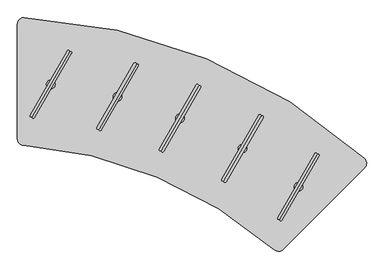
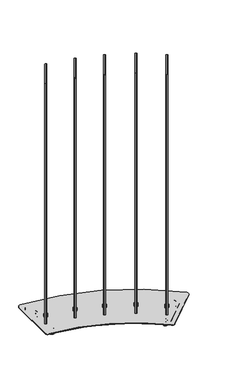
"""IFC4 building model written with IfcOpenShell, lengths in millimetres: furniture geometry."""

from ifc_helpers import new_model, si_unit, point, frame, frame_2d, origin, place, context, project, spatial, polyline, circle_curve, ellipse_curve, trimmed, segment, composite_curve, outline, extrude, source, transform, mapped, element, save
from ifc_brep_helpers import plane_surface, cylinder_surface, revolved_surface, advanced_brep


def furniture_63c054c2(model_context):
    return source(origin(), model_context, "Body", "SolidModel", [
        advanced_brep(
        [(280.6734308, -353.5244965, 45.0000013), (281.7186409, -351.0011417, 45.0000013), (279.6282207, -356.0478512, 45.0000013), (279.6282207, -356.0478512, 20.9698569), (281.7186409, -351.0011417, 20.9698569), (280.6734308, -353.5244965, 20.9698569)],
        [
            (0, 1),
            (1, 2, circle_curve(frame((280.6734308, -353.5244965, 45.0000013), z_axis=(0.0, 0.0, 1.0), x_axis=(0.3826841693843445, 0.9238792272275713, 0.0)), 2.7312604)),
            (2, 0),
            (2, 1, circle_curve(frame((280.6734308, -353.5244965, 45.0000013), z_axis=(0.0, 0.0, 1.0), x_axis=(0.3826841693843445, 0.9238792272275713, 0.0)), 2.7312604)),
            (3, 4, circle_curve(frame((280.6734308, -353.5244965, 20.9698569), z_axis=(0.0, 0.0, -1.0), x_axis=(0.3826841693843445, 0.9238792272275713, 0.0)), 2.7312604)),
            (4, 5),
            (5, 3),
            (4, 3, circle_curve(frame((280.6734308, -353.5244965, 20.9698569), z_axis=(0.0, 0.0, -1.0), x_axis=(0.3826841693843445, 0.9238792272275713, 0.0)), 2.7312604)),
            (1, 4),
            (3, 2),
        ],
        [
            plane_surface(frame((280.6734308, -353.5244965, 45.0000013), z_axis=(0.0, 0.0, 1.0), x_axis=(0.3826841693843445, 0.9238792272275713, 0.0))),
            plane_surface(frame((280.6734308, -353.5244965, 20.9698569), z_axis=(0.0, 0.0, -1.0), x_axis=(0.3826841693843445, 0.9238792272275713, 0.0))),
            cylinder_surface(frame((280.6734308, -353.5244965, 53.5051757), z_axis=(0.0, 0.0, 1.0), x_axis=(0.3826841693843445, 0.9238792272275713, 0.0)), 2.7312604),
        ],
        [
            (0, [[1, 2, 3]]),
            (0, [[-3, 4, -1]]),
            (1, [[5, 6, 7]]),
            (1, [[8, -7, -6]]),
            (2, [[-2, 9, -5, 10]]),
            (2, [[-4, -10, -8, -9]]),
        ],
    ),
        advanced_brep(
        [(287.9444294, -335.9707925, 6.35), (287.9444294, -335.9707925, 29.650001), (287.9444294, -335.9707925, 18.0000005), (285.514385, -341.8374256, 0.0), (285.514385, -341.8374256, 36.000001), (283.3522199, -347.0573422, 0.0), (283.3522199, -347.0573422, 36.000001), (283.3522199, -347.0573422, 11.0000008), (283.3522199, -347.0573422, 25.0000002), (277.99464, -359.991655, 11.0000008), (277.99464, -359.991655, 25.0000002), (277.99464, -359.991655, 0.0), (277.99464, -359.991655, 36.000001), (275.8324766, -365.2115673, 0.0), (275.8324766, -365.2115673, 36.000001), (273.4024321, -371.0782004, 6.35), (273.4024321, -371.0782004, 29.650001), (273.4024321, -371.0782004, 18.0000005)],
        [
            (0, 1, circle_curve(frame((287.9444294, -335.9707925, 18.0000005), z_axis=(0.3826841693843445, 0.9238792272275713, 0.0), x_axis=(0.0, 0.0, 1.0)), 11.6500005)),
            (1, 2),
            (2, 0),
            (1, 0, circle_curve(frame((287.9444294, -335.9707925, 18.0000005), z_axis=(0.3826841693843445, 0.9238792272275713, 0.0), x_axis=(0.0, 0.0, 1.0)), 11.6500005)),
            (3, 4, circle_curve(frame((285.514385, -341.8374256, 18.0000005), z_axis=(0.3826841693843445, 0.9238792272275713, 0.0), x_axis=(0.0, 0.0, 1.0)), 18.0000005)),
            (4, 1, circle_curve(frame((285.514385, -341.8374256, 29.650001), z_axis=(-0.9238792272275713, 0.3826841693843445, 0.0), x_axis=(0.3826841693843445, 0.9238792272275713, 0.0)), 6.35)),
            (0, 3, circle_curve(frame((285.514385, -341.8374256, 6.35), z_axis=(-0.9238792272275713, 0.3826841693843445, 0.0), x_axis=(0.3826841693843445, 0.9238792272275713, 0.0)), 6.35)),
            (4, 3, circle_curve(frame((285.514385, -341.8374256, 18.0000005), z_axis=(0.3826841693843445, 0.9238792272275713, 0.0), x_axis=(0.0, 0.0, 1.0)), 18.0000005)),
            (5, 6, circle_curve(frame((283.3522199, -347.0573422, 18.0000005), z_axis=(0.3826841693843445, 0.9238792272275713, 0.0), x_axis=(0.0, 0.0, 1.0)), 18.0000005)),
            (6, 4),
            (3, 5),
            (6, 5, circle_curve(frame((283.3522199, -347.0573422, 18.0000005), z_axis=(0.3826841693843445, 0.9238792272275713, 0.0), x_axis=(0.0, 0.0, 1.0)), 18.0000005)),
            (7, 8, circle_curve(frame((283.3522199, -347.0573422, 18.0000005), z_axis=(0.3826841693843445, 0.9238792272275713, 0.0), x_axis=(0.0, 0.0, 1.0)), 6.9999997)),
            (8, 6),
            (5, 7),
            (8, 7, circle_curve(frame((283.3522199, -347.0573422, 18.0000005), z_axis=(0.3826841693843445, 0.9238792272275713, 0.0), x_axis=(0.0, 0.0, 1.0)), 6.9999997)),
            (9, 10, circle_curve(frame((277.99464, -359.991655, 18.0000005), z_axis=(0.3826841693843445, 0.9238792272275713, 0.0), x_axis=(0.0, 0.0, 1.0)), 6.9999997)),
            (10, 8),
            (7, 9),
            (10, 9, circle_curve(frame((277.99464, -359.991655, 18.0000005), z_axis=(0.3826841693843445, 0.9238792272275713, 0.0), x_axis=(0.0, 0.0, 1.0)), 6.9999997)),
            (11, 12, circle_curve(frame((277.99464, -359.991655, 18.0000005), z_axis=(0.3826841693843445, 0.9238792272275713, 0.0), x_axis=(0.0, 0.0, 1.0)), 18.0000005)),
            (12, 10),
            (9, 11),
            (12, 11, circle_curve(frame((277.99464, -359.991655, 18.0000005), z_axis=(0.3826841693843445, 0.9238792272275713, 0.0), x_axis=(0.0, 0.0, 1.0)), 18.0000005)),
            (13, 14, circle_curve(frame((275.8324766, -365.2115673, 18.0000005), z_axis=(0.3826841693843445, 0.9238792272275713, 0.0), x_axis=(0.0, 0.0, 1.0)), 18.0000005)),
            (14, 12),
            (11, 13),
            (14, 13, circle_curve(frame((275.8324766, -365.2115673, 18.0000005), z_axis=(0.3826841693843445, 0.9238792272275713, 0.0), x_axis=(0.0, 0.0, 1.0)), 18.0000005)),
            (15, 16, circle_curve(frame((273.4024321, -371.0782004, 18.0000005), z_axis=(0.3826841693843445, 0.9238792272275713, 0.0), x_axis=(0.0, 0.0, 1.0)), 11.6500005)),
            (16, 14, circle_curve(frame((275.8324766, -365.2115673, 29.650001), z_axis=(-0.9238792272275713, 0.3826841693843445, 0.0), x_axis=(0.3826841693843445, 0.9238792272275713, 0.0)), 6.35)),
            (13, 15, circle_curve(frame((275.8324766, -365.2115673, 6.35), z_axis=(-0.9238792272275713, 0.3826841693843445, 0.0), x_axis=(0.3826841693843445, 0.9238792272275713, 0.0)), 6.35)),
            (16, 15, circle_curve(frame((273.4024321, -371.0782004, 18.0000005), z_axis=(0.3826841693843445, 0.9238792272275713, 0.0), x_axis=(0.0, 0.0, 1.0)), 11.6500005)),
            (17, 16),
            (15, 17),
        ],
        [
            plane_surface(frame((287.9444294, -335.9707925, 18.0000005), z_axis=(0.3826841693843445, 0.9238792272275713, 0.0), x_axis=(0.0, 0.0, 1.0))),
            revolved_surface(trimmed(ellipse_curve(frame((285.514385, -341.8374256, 29.650001), z_axis=(0.9238792272275713, -0.3826841693843445, 0.0), x_axis=(0.3826841693843445, 0.9238792272275713, 0.0)), 6.35, 6.35), [point((287.9444294, -335.9707925, 29.650001))], [point((285.514385, -341.8374256, 36.000001))], True, "CARTESIAN"), (258.8221653, -406.277999, 18.0000005), (-0.3826841693843445, -0.9238792272275713, 0.0)),
            cylinder_surface(frame((258.8221653, -406.277999, 18.0000005), z_axis=(-0.3826841693843445, -0.9238792272275713, 0.0), x_axis=(0.0, 0.0, 1.0)), 18.0000005),
            plane_surface(frame((283.3522199, -347.0573422, 18.0000005), z_axis=(-0.3826841693843445, -0.9238792272275713, 0.0), x_axis=(0.0, 0.0, 1.0))),
            cylinder_surface(frame((258.8221653, -406.277999, 18.0000005), z_axis=(-0.3826841693843445, -0.9238792272275713, 0.0), x_axis=(0.0, 0.0, 1.0)), 6.9999997),
            plane_surface(frame((277.99464, -359.991655, 18.0000005), z_axis=(0.3826841693843445, 0.9238792272275713, 0.0), x_axis=(0.0, 0.0, 1.0))),
            revolved_surface(trimmed(ellipse_curve(frame((275.8324766, -365.2115673, 29.650001), z_axis=(0.9238792272275713, -0.3826841693843445, 0.0), x_axis=(0.3826841693843445, 0.9238792272275713, 0.0)), 6.35, 6.35), [point((275.8324766, -365.2115673, 36.000001))], [point((273.4024321, -371.0782004, 29.650001))], True, "CARTESIAN"), (258.8221653, -406.277999, 18.0000005), (-0.3826841693843445, -0.9238792272275713, 0.0)),
            plane_surface(frame((273.4024321, -371.0782004, 18.0000005), z_axis=(-0.3826841693843445, -0.9238792272275713, 0.0), x_axis=(0.0, 0.0, 1.0))),
        ],
        [
            (0, [[1, 2, 3]]),
            (0, [[4, -3, -2]]),
            (1, [[5, 6, -1, 7]]),
            (1, [[8, -7, -4, -6]]),
            (2, [[9, 10, -5, 11]]),
            (2, [[12, -11, -8, -10]]),
            (3, [[13, 14, -9, 15]]),
            (3, [[16, -15, -12, -14]]),
            (4, [[17, 18, -13, 19]]),
            (4, [[20, -19, -16, -18]]),
            (5, [[21, 22, -17, 23]]),
            (5, [[24, -23, -20, -22]]),
            (2, [[25, 26, -21, 27]]),
            (2, [[28, -27, -24, -26]]),
            (6, [[29, 30, -25, 31]]),
            (6, [[32, -31, -28, -30]]),
            (7, [[33, -29, 34]]),
            (7, [[-34, -32, -33]]),
        ],
    ),
        advanced_brep(
        [(429.5525428, -204.6980144, 45.0000013), (430.5977537, -202.1746599, 45.0000013), (428.5073319, -207.2213688, 45.0000013), (428.5073319, -207.2213688, 20.9698569), (430.5977537, -202.1746599, 20.9698569), (429.5525428, -204.6980144, 20.9698569)],
        [
            (0, 1),
            (1, 2, circle_curve(frame((429.5525428, -204.6980144, 45.0000013), z_axis=(0.0, 0.0, 1.0), x_axis=(0.3826844634851495, 0.9238791054066994, 0.0)), 2.7312604)),
            (2, 0),
            (2, 1, circle_curve(frame((429.5525428, -204.6980144, 45.0000013), z_axis=(0.0, 0.0, 1.0), x_axis=(0.3826844634851495, 0.9238791054066994, 0.0)), 2.7312604)),
            (3, 4, circle_curve(frame((429.5525428, -204.6980144, 20.9698569), z_axis=(0.0, 0.0, -1.0), x_axis=(0.3826844634851495, 0.9238791054066994, 0.0)), 2.7312604)),
            (4, 5),
            (5, 3),
            (4, 3, circle_curve(frame((429.5525428, -204.6980144, 20.9698569), z_axis=(0.0, 0.0, -1.0), x_axis=(0.3826844634851495, 0.9238791054066994, 0.0)), 2.7312604)),
            (1, 4),
            (3, 2),
        ],
        [
            plane_surface(frame((429.5525428, -204.6980144, 45.0000013), z_axis=(0.0, 0.0, 1.0), x_axis=(0.38268446348514956, 0.9238791054066995, 0.0))),
            plane_surface(frame((429.5525428, -204.6980144, 20.9698569), z_axis=(0.0, 0.0, -1.0), x_axis=(0.38268446348514956, 0.9238791054066995, 0.0))),
            cylinder_surface(frame((429.5525428, -204.6980144, 53.5051757), z_axis=(0.0, 0.0, 1.0), x_axis=(0.3826844634851495, 0.9238791054066994, 0.0)), 2.7312604),
        ],
        [
            (0, [[1, 2, 3]]),
            (0, [[-3, 4, -1]]),
            (1, [[5, 6, 7]]),
            (1, [[8, -7, -6]]),
            (2, [[-2, 9, -5, 10]]),
            (2, [[-4, -10, -8, -9]]),
        ],
    ),
        advanced_brep(
        [(436.823547, -187.1443127, 6.35), (436.823547, -187.1443127, 29.650001), (436.823547, -187.1443127, 18.0000005), (434.3935007, -193.0109451, 0.0), (434.3935007, -193.0109451, 36.000001), (432.2313339, -198.2308609, 0.0), (432.2313339, -198.2308609, 36.000001), (432.2313339, -198.2308609, 11.0000008), (432.2313339, -198.2308609, 25.0000002), (426.8737499, -211.165172, 11.0000008), (426.8737499, -211.165172, 25.0000002), (426.8737499, -211.165172, 0.0), (426.8737499, -211.165172, 36.000001), (424.7115849, -216.3850837, 0.0), (424.7115849, -216.3850837, 36.000001), (422.2815386, -222.251716, 6.35), (422.2815386, -222.251716, 29.650001), (422.2815386, -222.251716, 18.0000005)],
        [
            (0, 1, circle_curve(frame((436.823547, -187.1443127, 18.0000005), z_axis=(0.3826844634851496, 0.9238791054066996, 0.0), x_axis=(0.0, 0.0, 1.0)), 11.6500005)),
            (1, 2),
            (2, 0),
            (1, 0, circle_curve(frame((436.823547, -187.1443127, 18.0000005), z_axis=(0.3826844634851496, 0.9238791054066996, 0.0), x_axis=(0.0, 0.0, 1.0)), 11.6500005)),
            (3, 4, circle_curve(frame((434.3935007, -193.0109451, 18.0000005), z_axis=(0.3826844634851496, 0.9238791054066996, 0.0), x_axis=(0.0, 0.0, 1.0)), 18.0000005)),
            (4, 1, circle_curve(frame((434.3935007, -193.0109451, 29.650001), z_axis=(-0.9238791054066994, 0.3826844634851495, 0.0), x_axis=(0.3826844634851495, 0.9238791054066994, 0.0)), 6.35)),
            (0, 3, circle_curve(frame((434.3935007, -193.0109451, 6.35), z_axis=(-0.9238791054066994, 0.3826844634851495, 0.0), x_axis=(0.3826844634851495, 0.9238791054066994, 0.0)), 6.35)),
            (4, 3, circle_curve(frame((434.3935007, -193.0109451, 18.0000005), z_axis=(0.3826844634851496, 0.9238791054066996, 0.0), x_axis=(0.0, 0.0, 1.0)), 18.0000005)),
            (5, 6, circle_curve(frame((432.2313339, -198.2308609, 18.0000005), z_axis=(0.3826844634851496, 0.9238791054066996, 0.0), x_axis=(0.0, 0.0, 1.0)), 18.0000005)),
            (6, 4),
            (3, 5),
            (6, 5, circle_curve(frame((432.2313339, -198.2308609, 18.0000005), z_axis=(0.3826844634851496, 0.9238791054066996, 0.0), x_axis=(0.0, 0.0, 1.0)), 18.0000005)),
            (7, 8, circle_curve(frame((432.2313339, -198.2308609, 18.0000005), z_axis=(0.3826844634851496, 0.9238791054066996, 0.0), x_axis=(0.0, 0.0, 1.0)), 6.9999997)),
            (8, 6),
            (5, 7),
            (8, 7, circle_curve(frame((432.2313339, -198.2308609, 18.0000005), z_axis=(0.3826844634851496, 0.9238791054066996, 0.0), x_axis=(0.0, 0.0, 1.0)), 6.9999997)),
            (9, 10, circle_curve(frame((426.8737499, -211.165172, 18.0000005), z_axis=(0.3826844634851496, 0.9238791054066996, 0.0), x_axis=(0.0, 0.0, 1.0)), 6.9999997)),
            (10, 8),
            (7, 9),
            (10, 9, circle_curve(frame((426.8737499, -211.165172, 18.0000005), z_axis=(0.3826844634851496, 0.9238791054066996, 0.0), x_axis=(0.0, 0.0, 1.0)), 6.9999997)),
            (11, 12, circle_curve(frame((426.8737499, -211.165172, 18.0000005), z_axis=(0.3826844634851496, 0.9238791054066996, 0.0), x_axis=(0.0, 0.0, 1.0)), 18.0000005)),
            (12, 10),
            (9, 11),
            (12, 11, circle_curve(frame((426.8737499, -211.165172, 18.0000005), z_axis=(0.3826844634851496, 0.9238791054066996, 0.0), x_axis=(0.0, 0.0, 1.0)), 18.0000005)),
            (13, 14, circle_curve(frame((424.7115849, -216.3850837, 18.0000005), z_axis=(0.3826844634851496, 0.9238791054066996, 0.0), x_axis=(0.0, 0.0, 1.0)), 18.0000005)),
            (14, 12),
            (11, 13),
            (14, 13, circle_curve(frame((424.7115849, -216.3850837, 18.0000005), z_axis=(0.3826844634851496, 0.9238791054066996, 0.0), x_axis=(0.0, 0.0, 1.0)), 18.0000005)),
            (15, 16, circle_curve(frame((422.2815386, -222.251716, 18.0000005), z_axis=(0.3826844634851496, 0.9238791054066996, 0.0), x_axis=(0.0, 0.0, 1.0)), 11.6500005)),
            (16, 14, circle_curve(frame((424.7115849, -216.3850837, 29.650001), z_axis=(-0.9238791054066994, 0.3826844634851495, 0.0), x_axis=(0.3826844634851495, 0.9238791054066994, 0.0)), 6.35)),
            (13, 15, circle_curve(frame((424.7115849, -216.3850837, 6.35), z_axis=(-0.9238791054066994, 0.3826844634851495, 0.0), x_axis=(0.3826844634851495, 0.9238791054066994, 0.0)), 6.35)),
            (16, 15, circle_curve(frame((422.2815386, -222.251716, 18.0000005), z_axis=(0.3826844634851496, 0.9238791054066996, 0.0), x_axis=(0.0, 0.0, 1.0)), 11.6500005)),
            (17, 16),
            (15, 17),
        ],
        [
            plane_surface(frame((436.823547, -187.1443127, 18.0000005), z_axis=(0.38268446348514956, 0.9238791054066995, 0.0), x_axis=(0.0, 0.0, 1.0))),
            revolved_surface(trimmed(ellipse_curve(frame((434.3935007, -193.0109451, 29.650001), z_axis=(0.9238791054066994, -0.3826844634851495, 0.0), x_axis=(0.3826844634851495, 0.9238791054066994, 0.0)), 6.35, 6.35), [point((436.823547, -187.1443127, 29.650001))], [point((434.3935007, -193.0109451, 36.000001))], True, "CARTESIAN"), (407.7012605, -257.4515099, 18.0000005), (-0.3826844634851495, -0.9238791054066994, 0.0)),
            cylinder_surface(frame((407.7012605, -257.4515099, 18.0000005), z_axis=(-0.3826844634851495, -0.9238791054066994, 0.0), x_axis=(0.0, 0.0, 1.0)), 18.0000005),
            plane_surface(frame((432.2313339, -198.2308609, 18.0000005), z_axis=(-0.38268446348514956, -0.9238791054066995, 0.0), x_axis=(0.0, 0.0, 1.0))),
            cylinder_surface(frame((407.7012605, -257.4515099, 18.0000005), z_axis=(-0.3826844634851495, -0.9238791054066994, 0.0), x_axis=(0.0, 0.0, 1.0)), 6.9999997),
            plane_surface(frame((426.8737499, -211.165172, 18.0000005), z_axis=(0.38268446348514956, 0.9238791054066995, 0.0), x_axis=(0.0, 0.0, 1.0))),
            revolved_surface(trimmed(ellipse_curve(frame((424.7115849, -216.3850837, 29.650001), z_axis=(0.9238791054066994, -0.3826844634851495, 0.0), x_axis=(0.3826844634851495, 0.9238791054066994, 0.0)), 6.35, 6.35), [point((424.7115849, -216.3850837, 36.000001))], [point((422.2815386, -222.251716, 29.650001))], True, "CARTESIAN"), (407.7012605, -257.4515099, 18.0000005), (-0.3826844634851495, -0.9238791054066994, 0.0)),
            plane_surface(frame((422.2815386, -222.251716, 18.0000005), z_axis=(-0.38268446348514956, -0.9238791054066995, 0.0), x_axis=(0.0, 0.0, 1.0))),
        ],
        [
            (0, [[1, 2, 3]]),
            (0, [[4, -3, -2]]),
            (1, [[5, 6, -1, 7]]),
            (1, [[8, -7, -4, -6]]),
            (2, [[9, 10, -5, 11]]),
            (2, [[12, -11, -8, -10]]),
            (3, [[13, 14, -9, 15]]),
            (3, [[16, -15, -12, -14]]),
            (4, [[17, 18, -13, 19]]),
            (4, [[20, -19, -16, -18]]),
            (5, [[21, 22, -17, 23]]),
            (5, [[24, -23, -20, -22]]),
            (2, [[25, 26, -21, 27]]),
            (2, [[28, -27, -24, -26]]),
            (6, [[29, 30, -25, 31]]),
            (6, [[32, -31, -28, -30]]),
            (7, [[33, -29, 34]]),
            (7, [[-34, -32, -33]]),
        ],
    ),
        advanced_brep(
        [(-388.6369377, -76.6798543, 45.0000013), (-387.5917288, -74.156499, 45.0000013), (-389.6821465, -79.2032097, 45.0000013), (-389.6821465, -79.2032097, 20.9698569), (-387.5917288, -74.156499, 20.9698569), (-388.6369377, -76.6798543, 20.9698569)],
        [
            (0, 1),
            (1, 2, circle_curve(frame((-388.6369377, -76.6798543, 45.0000013), z_axis=(0.0, 0.0, 1.0), x_axis=(0.38268370125254575, 0.9238794211344099, 0.0)), 2.7312604)),
            (2, 0),
            (2, 1, circle_curve(frame((-388.6369377, -76.6798543, 45.0000013), z_axis=(0.0, 0.0, 1.0), x_axis=(0.38268370125254575, 0.9238794211344099, 0.0)), 2.7312604)),
            (3, 4, circle_curve(frame((-388.6369377, -76.6798543, 20.9698569), z_axis=(0.0, 0.0, -1.0), x_axis=(0.38268370125254575, 0.9238794211344099, 0.0)), 2.7312604)),
            (4, 5),
            (5, 3),
            (4, 3, circle_curve(frame((-388.6369377, -76.6798543, 20.9698569), z_axis=(0.0, 0.0, -1.0), x_axis=(0.38268370125254575, 0.9238794211344099, 0.0)), 2.7312604)),
            (1, 4),
            (3, 2),
        ],
        [
            plane_surface(frame((-388.6369377, -76.6798543, 45.0000013), z_axis=(0.0, 0.0, 1.0), x_axis=(0.38268370125254575, 0.9238794211344099, 0.0))),
            plane_surface(frame((-388.6369377, -76.6798543, 20.9698569), z_axis=(0.0, 0.0, -1.0), x_axis=(0.38268370125254575, 0.9238794211344099, 0.0))),
            cylinder_surface(frame((-388.6369377, -76.6798543, 53.5051757), z_axis=(0.0, 0.0, 1.0), x_axis=(0.38268370125254575, 0.9238794211344099, 0.0)), 2.7312604),
        ],
        [
            (0, [[1, 2, 3]]),
            (0, [[-3, 4, -1]]),
            (1, [[5, 6, 7]]),
            (1, [[8, -7, -6]]),
            (2, [[-2, 9, -5, 10]]),
            (2, [[-4, -10, -8, -9]]),
        ],
    ),
        advanced_brep(
        [(-381.3659479, -59.1261467, 6.35), (-381.3659479, -59.1261467, 29.650001), (-381.3659479, -59.1261467, 18.0000005), (-383.7959894, -64.992781, 0.0), (-383.7959894, -64.992781, 36.000001), (-385.9581519, -70.2126987, 0.0), (-385.9581519, -70.2126987, 36.000001), (-385.9581519, -70.2126987, 11.0000008), (-385.9581519, -70.2126987, 25.0000002), (-391.3157252, -83.1470142, 11.0000008), (-391.3157252, -83.1470142, 25.0000002), (-391.3157252, -83.1470142, 0.0), (-391.3157252, -83.1470142, 36.000001), (-393.4778859, -88.3669276, 0.0), (-393.4778859, -88.3669276, 36.000001), (-395.9079274, -94.233562, 6.35), (-395.9079274, -94.233562, 29.650001), (-395.9079274, -94.233562, 18.0000005)],
        [
            (0, 1, circle_curve(frame((-381.3659479, -59.1261467, 18.0000005), z_axis=(0.38268370125254575, 0.9238794211344099, 0.0), x_axis=(0.0, 0.0, 1.0)), 11.6500005)),
            (1, 2),
            (2, 0),
            (1, 0, circle_curve(frame((-381.3659479, -59.1261467, 18.0000005), z_axis=(0.38268370125254575, 0.9238794211344099, 0.0), x_axis=(0.0, 0.0, 1.0)), 11.6500005)),
            (3, 4, circle_curve(frame((-383.7959894, -64.992781, 18.0000005), z_axis=(0.38268370125254575, 0.9238794211344099, 0.0), x_axis=(0.0, 0.0, 1.0)), 18.0000005)),
            (4, 1, circle_curve(frame((-383.7959894, -64.992781, 29.650001), z_axis=(-0.9238794211344099, 0.38268370125254575, 0.0), x_axis=(0.38268370125254575, 0.9238794211344099, 0.0)), 6.35)),
            (0, 3, circle_curve(frame((-383.7959894, -64.992781, 6.35), z_axis=(-0.9238794211344099, 0.38268370125254575, 0.0), x_axis=(0.38268370125254575, 0.9238794211344099, 0.0)), 6.35)),
            (4, 3, circle_curve(frame((-383.7959894, -64.992781, 18.0000005), z_axis=(0.38268370125254575, 0.9238794211344099, 0.0), x_axis=(0.0, 0.0, 1.0)), 18.0000005)),
            (5, 6, circle_curve(frame((-385.9581519, -70.2126987, 18.0000005), z_axis=(0.38268370125254575, 0.9238794211344099, 0.0), x_axis=(0.0, 0.0, 1.0)), 18.0000005)),
            (6, 4),
            (3, 5),
            (6, 5, circle_curve(frame((-385.9581519, -70.2126987, 18.0000005), z_axis=(0.38268370125254575, 0.9238794211344099, 0.0), x_axis=(0.0, 0.0, 1.0)), 18.0000005)),
            (7, 8, circle_curve(frame((-385.9581519, -70.2126987, 18.0000005), z_axis=(0.38268370125254575, 0.9238794211344099, 0.0), x_axis=(0.0, 0.0, 1.0)), 6.9999997)),
            (8, 6),
            (5, 7),
            (8, 7, circle_curve(frame((-385.9581519, -70.2126987, 18.0000005), z_axis=(0.38268370125254575, 0.9238794211344099, 0.0), x_axis=(0.0, 0.0, 1.0)), 6.9999997)),
            (9, 10, circle_curve(frame((-391.3157252, -83.1470142, 18.0000005), z_axis=(0.38268370125254575, 0.9238794211344099, 0.0), x_axis=(0.0, 0.0, 1.0)), 6.9999997)),
            (10, 8),
            (7, 9),
            (10, 9, circle_curve(frame((-391.3157252, -83.1470142, 18.0000005), z_axis=(0.38268370125254575, 0.9238794211344099, 0.0), x_axis=(0.0, 0.0, 1.0)), 6.9999997)),
            (11, 12, circle_curve(frame((-391.3157252, -83.1470142, 18.0000005), z_axis=(0.38268370125254575, 0.9238794211344099, 0.0), x_axis=(0.0, 0.0, 1.0)), 18.0000005)),
            (12, 10),
            (9, 11),
            (12, 11, circle_curve(frame((-391.3157252, -83.1470142, 18.0000005), z_axis=(0.38268370125254575, 0.9238794211344099, 0.0), x_axis=(0.0, 0.0, 1.0)), 18.0000005)),
            (13, 14, circle_curve(frame((-393.4778859, -88.3669276, 18.0000005), z_axis=(0.38268370125254575, 0.9238794211344099, 0.0), x_axis=(0.0, 0.0, 1.0)), 18.0000005)),
            (14, 12),
            (11, 13),
            (14, 13, circle_curve(frame((-393.4778859, -88.3669276, 18.0000005), z_axis=(0.38268370125254575, 0.9238794211344099, 0.0), x_axis=(0.0, 0.0, 1.0)), 18.0000005)),
            (15, 16, circle_curve(frame((-395.9079274, -94.233562, 18.0000005), z_axis=(0.38268370125254575, 0.9238794211344099, 0.0), x_axis=(0.0, 0.0, 1.0)), 11.6500005)),
            (16, 14, circle_curve(frame((-393.4778859, -88.3669276, 29.650001), z_axis=(-0.9238794211344099, 0.38268370125254575, 0.0), x_axis=(0.38268370125254575, 0.9238794211344099, 0.0)), 6.35)),
            (13, 15, circle_curve(frame((-393.4778859, -88.3669276, 6.35), z_axis=(-0.9238794211344099, 0.38268370125254575, 0.0), x_axis=(0.38268370125254575, 0.9238794211344099, 0.0)), 6.35)),
            (16, 15, circle_curve(frame((-395.9079274, -94.233562, 18.0000005), z_axis=(0.38268370125254575, 0.9238794211344099, 0.0), x_axis=(0.0, 0.0, 1.0)), 11.6500005)),
            (17, 16),
            (15, 17),
        ],
        [
            plane_surface(frame((-381.3659479, -59.1261467, 18.0000005), z_axis=(0.38268370125254575, 0.9238794211344099, 0.0), x_axis=(0.0, 0.0, 1.0))),
            revolved_surface(trimmed(ellipse_curve(frame((-383.7959894, -64.992781, 29.650001), z_axis=(0.9238794211344099, -0.38268370125254575, 0.0), x_axis=(0.38268370125254575, 0.9238794211344099, 0.0)), 6.35, 6.35), [point((-381.3659479, -59.1261467, 29.650001))], [point((-383.7959894, -64.992781, 36.000001))], True, "CARTESIAN"), (-410.4881764, -129.4333679, 18.0000005), (-0.38268370125254575, -0.9238794211344099, 0.0)),
            cylinder_surface(frame((-410.4881764, -129.4333679, 18.0000005), z_axis=(-0.38268370125254575, -0.9238794211344099, 0.0), x_axis=(0.0, 0.0, 1.0)), 18.0000005),
            plane_surface(frame((-385.9581519, -70.2126987, 18.0000005), z_axis=(-0.38268370125254575, -0.9238794211344099, 0.0), x_axis=(0.0, 0.0, 1.0))),
            cylinder_surface(frame((-410.4881764, -129.4333679, 18.0000005), z_axis=(-0.38268370125254575, -0.9238794211344099, 0.0), x_axis=(0.0, 0.0, 1.0)), 6.9999997),
            plane_surface(frame((-391.3157252, -83.1470142, 18.0000005), z_axis=(0.38268370125254575, 0.9238794211344099, 0.0), x_axis=(0.0, 0.0, 1.0))),
            revolved_surface(trimmed(ellipse_curve(frame((-393.4778859, -88.3669276, 29.650001), z_axis=(0.9238794211344099, -0.38268370125254575, 0.0), x_axis=(0.38268370125254575, 0.9238794211344099, 0.0)), 6.35, 6.35), [point((-393.4778859, -88.3669276, 36.000001))], [point((-395.9079274, -94.233562, 29.650001))], True, "CARTESIAN"), (-410.4881764, -129.4333679, 18.0000005), (-0.38268370125254575, -0.9238794211344099, 0.0)),
            plane_surface(frame((-395.9079274, -94.233562, 18.0000005), z_axis=(-0.38268370125254575, -0.9238794211344099, 0.0), x_axis=(0.0, 0.0, 1.0))),
        ],
        [
            (0, [[1, 2, 3]]),
            (0, [[4, -3, -2]]),
            (1, [[5, 6, -1, 7]]),
            (1, [[8, -7, -4, -6]]),
            (2, [[9, 10, -5, 11]]),
            (2, [[12, -11, -8, -10]]),
            (3, [[13, 14, -9, 15]]),
            (3, [[16, -15, -12, -14]]),
            (4, [[17, 18, -13, 19]]),
            (4, [[20, -19, -16, -18]]),
            (5, [[21, 22, -17, 23]]),
            (5, [[24, -23, -20, -22]]),
            (2, [[25, 26, -21, 27]]),
            (2, [[28, -27, -24, -26]]),
            (6, [[29, 30, -25, 31]]),
            (6, [[32, -31, -28, -30]]),
            (7, [[33, -29, 34]]),
            (7, [[-34, -32, -33]]),
        ],
    ),
        advanced_brep(
        [(-388.5036269, 134.1442943, 45.0000013), (-387.4584191, 136.6676501, 45.0000013), (-389.5488346, 131.6209386, 45.0000013), (-389.5488346, 131.6209386, 20.9698569), (-387.4584191, 136.6676501, 20.9698569), (-388.5036269, 134.1442943, 20.9698569)],
        [
            (0, 1),
            (1, 2, circle_curve(frame((-388.5036269, 134.1442943, 45.0000013), z_axis=(0.0, 0.0, 1.0), x_axis=(0.38268330505817266, 0.9238795852435282, 0.0)), 2.7312604)),
            (2, 0),
            (2, 1, circle_curve(frame((-388.5036269, 134.1442943, 45.0000013), z_axis=(0.0, 0.0, 1.0), x_axis=(0.38268330505817266, 0.9238795852435282, 0.0)), 2.7312604)),
            (3, 4, circle_curve(frame((-388.5036269, 134.1442943, 20.9698569), z_axis=(0.0, 0.0, -1.0), x_axis=(0.38268330505817266, 0.9238795852435282, 0.0)), 2.7312604)),
            (4, 5),
            (5, 3),
            (4, 3, circle_curve(frame((-388.5036269, 134.1442943, 20.9698569), z_axis=(0.0, 0.0, -1.0), x_axis=(0.38268330505817266, 0.9238795852435282, 0.0)), 2.7312604)),
            (1, 4),
            (3, 2),
        ],
        [
            plane_surface(frame((-388.5036269, 134.1442943, 45.0000013), z_axis=(0.0, 0.0, 1.0000000000000002), x_axis=(0.38268330505817266, 0.9238795852435282, 0.0))),
            plane_surface(frame((-388.5036269, 134.1442943, 20.9698569), z_axis=(0.0, 0.0, -1.0000000000000002), x_axis=(0.38268330505817266, 0.9238795852435282, 0.0))),
            cylinder_surface(frame((-388.5036269, 134.1442943, 53.5051757), z_axis=(0.0, 0.0, 1.0), x_axis=(0.38268330505817266, 0.9238795852435282, 0.0)), 2.7312604),
        ],
        [
            (0, [[1, 2, 3]]),
            (0, [[-3, 4, -1]]),
            (1, [[5, 6, 7]]),
            (1, [[8, -7, -6]]),
            (2, [[-2, 9, -5, 10]]),
            (2, [[-4, -10, -8, -9]]),
        ],
    ),
        advanced_brep(
        [(-381.2326446, 151.6980051, 6.35), (-381.2326446, 151.6980051, 29.650001), (-381.2326446, 151.6980051, 18.0000005), (-383.6626836, 145.8313697, 0.0), (-383.6626836, 145.8313697, 36.000001), (-385.8248438, 140.6114511, 0.0), (-385.8248438, 140.6114511, 36.000001), (-385.8248438, 140.6114511, 11.0000008), (-385.8248438, 140.6114511, 25.0000002), (-391.1824116, 127.6771333, 11.0000008), (-391.1824116, 127.6771333, 25.0000002), (-391.1824116, 127.6771333, 0.0), (-391.1824116, 127.6771333, 36.000001), (-393.3445701, 122.4572189, 0.0), (-393.3445701, 122.4572189, 36.000001), (-395.7746091, 116.5905836, 6.35), (-395.7746091, 116.5905836, 29.650001), (-395.7746091, 116.5905836, 18.0000005)],
        [
            (0, 1, circle_curve(frame((-381.2326446, 151.6980051, 18.0000005), z_axis=(0.38268330505817266, 0.9238795852435282, 0.0), x_axis=(0.0, 0.0, 1.0)), 11.6500005)),
            (1, 2),
            (2, 0),
            (1, 0, circle_curve(frame((-381.2326446, 151.6980051, 18.0000005), z_axis=(0.38268330505817266, 0.9238795852435282, 0.0), x_axis=(0.0, 0.0, 1.0)), 11.6500005)),
            (3, 4, circle_curve(frame((-383.6626836, 145.8313697, 18.0000005), z_axis=(0.38268330505817266, 0.9238795852435282, 0.0), x_axis=(0.0, 0.0, 1.0)), 18.0000005)),
            (4, 1, circle_curve(frame((-383.6626836, 145.8313697, 29.650001), z_axis=(-0.9238795852435282, 0.38268330505817266, 0.0), x_axis=(0.38268330505817266, 0.9238795852435282, 0.0)), 6.35)),
            (0, 3, circle_curve(frame((-383.6626836, 145.8313697, 6.35), z_axis=(-0.9238795852435282, 0.38268330505817266, 0.0), x_axis=(0.38268330505817266, 0.9238795852435282, 0.0)), 6.35)),
            (4, 3, circle_curve(frame((-383.6626836, 145.8313697, 18.0000005), z_axis=(0.38268330505817266, 0.9238795852435282, 0.0), x_axis=(0.0, 0.0, 1.0)), 18.0000005)),
            (5, 6, circle_curve(frame((-385.8248438, 140.6114511, 18.0000005), z_axis=(0.38268330505817266, 0.9238795852435282, 0.0), x_axis=(0.0, 0.0, 1.0)), 18.0000005)),
            (6, 4),
            (3, 5),
            (6, 5, circle_curve(frame((-385.8248438, 140.6114511, 18.0000005), z_axis=(0.38268330505817266, 0.9238795852435282, 0.0), x_axis=(0.0, 0.0, 1.0)), 18.0000005)),
            (7, 8, circle_curve(frame((-385.8248438, 140.6114511, 18.0000005), z_axis=(0.38268330505817266, 0.9238795852435282, 0.0), x_axis=(0.0, 0.0, 1.0)), 6.9999997)),
            (8, 6),
            (5, 7),
            (8, 7, circle_curve(frame((-385.8248438, 140.6114511, 18.0000005), z_axis=(0.38268330505817266, 0.9238795852435282, 0.0), x_axis=(0.0, 0.0, 1.0)), 6.9999997)),
            (9, 10, circle_curve(frame((-391.1824116, 127.6771333, 18.0000005), z_axis=(0.38268330505817266, 0.9238795852435282, 0.0), x_axis=(0.0, 0.0, 1.0)), 6.9999997)),
            (10, 8),
            (7, 9),
            (10, 9, circle_curve(frame((-391.1824116, 127.6771333, 18.0000005), z_axis=(0.38268330505817266, 0.9238795852435282, 0.0), x_axis=(0.0, 0.0, 1.0)), 6.9999997)),
            (11, 12, circle_curve(frame((-391.1824116, 127.6771333, 18.0000005), z_axis=(0.38268330505817266, 0.9238795852435282, 0.0), x_axis=(0.0, 0.0, 1.0)), 18.0000005)),
            (12, 10),
            (9, 11),
            (12, 11, circle_curve(frame((-391.1824116, 127.6771333, 18.0000005), z_axis=(0.38268330505817266, 0.9238795852435282, 0.0), x_axis=(0.0, 0.0, 1.0)), 18.0000005)),
            (13, 14, circle_curve(frame((-393.3445701, 122.4572189, 18.0000005), z_axis=(0.38268330505817266, 0.9238795852435282, 0.0), x_axis=(0.0, 0.0, 1.0)), 18.0000005)),
            (14, 12),
            (11, 13),
            (14, 13, circle_curve(frame((-393.3445701, 122.4572189, 18.0000005), z_axis=(0.38268330505817266, 0.9238795852435282, 0.0), x_axis=(0.0, 0.0, 1.0)), 18.0000005)),
            (15, 16, circle_curve(frame((-395.7746091, 116.5905836, 18.0000005), z_axis=(0.38268330505817266, 0.9238795852435282, 0.0), x_axis=(0.0, 0.0, 1.0)), 11.6500005)),
            (16, 14, circle_curve(frame((-393.3445701, 122.4572189, 29.650001), z_axis=(-0.9238795852435282, 0.38268330505817266, 0.0), x_axis=(0.38268330505817266, 0.9238795852435282, 0.0)), 6.35)),
            (13, 15, circle_curve(frame((-393.3445701, 122.4572189, 6.35), z_axis=(-0.9238795852435282, 0.38268330505817266, 0.0), x_axis=(0.38268330505817266, 0.9238795852435282, 0.0)), 6.35)),
            (16, 15, circle_curve(frame((-395.7746091, 116.5905836, 18.0000005), z_axis=(0.38268330505817266, 0.9238795852435282, 0.0), x_axis=(0.0, 0.0, 1.0)), 11.6500005)),
            (17, 16),
            (15, 17),
        ],
        [
            plane_surface(frame((-381.2326446, 151.6980051, 18.0000005), z_axis=(0.38268330505817266, 0.9238795852435282, 0.0), x_axis=(0.0, 0.0, 1.0))),
            revolved_surface(trimmed(ellipse_curve(frame((-383.6626836, 145.8313697, 29.650001), z_axis=(0.9238795852435282, -0.38268330505817266, 0.0), x_axis=(0.38268330505817266, 0.9238795852435282, 0.0)), 6.35, 6.35), [point((-381.2326446, 151.6980051, 29.650001))], [point((-383.6626836, 145.8313697, 36.000001))], True, "CARTESIAN"), (-410.354843, 81.3907714, 18.0000005), (-0.38268330505817266, -0.9238795852435282, 0.0)),
            cylinder_surface(frame((-410.354843, 81.3907714, 18.0000005), z_axis=(-0.38268330505817266, -0.9238795852435282, 0.0), x_axis=(0.0, 0.0, 1.0)), 18.0000005),
            plane_surface(frame((-385.8248438, 140.6114511, 18.0000005), z_axis=(-0.38268330505817266, -0.9238795852435282, 0.0), x_axis=(0.0, 0.0, 1.0))),
            cylinder_surface(frame((-410.354843, 81.3907714, 18.0000005), z_axis=(-0.38268330505817266, -0.9238795852435282, 0.0), x_axis=(0.0, 0.0, 1.0)), 6.9999997),
            plane_surface(frame((-391.1824116, 127.6771333, 18.0000005), z_axis=(0.38268330505817266, 0.9238795852435282, 0.0), x_axis=(0.0, 0.0, 1.0))),
            revolved_surface(trimmed(ellipse_curve(frame((-393.3445701, 122.4572189, 29.650001), z_axis=(0.9238795852435282, -0.38268330505817266, 0.0), x_axis=(0.38268330505817266, 0.9238795852435282, 0.0)), 6.35, 6.35), [point((-393.3445701, 122.4572189, 36.000001))], [point((-395.7746091, 116.5905836, 29.650001))], True, "CARTESIAN"), (-410.354843, 81.3907714, 18.0000005), (-0.38268330505817266, -0.9238795852435282, 0.0)),
            plane_surface(frame((-395.7746091, 116.5905836, 18.0000005), z_axis=(-0.38268330505817266, -0.9238795852435282, 0.0), x_axis=(0.0, 0.0, 1.0))),
        ],
        [
            (0, [[1, 2, 3]]),
            (0, [[4, -3, -2]]),
            (1, [[5, 6, -1, 7]]),
            (1, [[8, -7, -4, -6]]),
            (2, [[9, 10, -5, 11]]),
            (2, [[12, -11, -8, -10]]),
            (3, [[13, 14, -9, 15]]),
            (3, [[16, -15, -12, -14]]),
            (4, [[17, 18, -13, 19]]),
            (4, [[20, -19, -16, -18]]),
            (5, [[21, 22, -17, 23]]),
            (5, [[24, -23, -20, -22]]),
            (2, [[25, 26, -21, 27]]),
            (2, [[28, -27, -24, -26]]),
            (6, [[29, 30, -25, 31]]),
            (6, [[32, -31, -28, -30]]),
            (7, [[33, -29, 34]]),
            (7, [[-34, -32, -33]]),
        ],
    ),
        extrude(outline(composite_curve([segment(trimmed(circle_curve(frame_2d((-419.4960741, 167.4557313)), 19.05), [point((-438.5460741, 167.4557313))], [point((-418.1073044, 186.4550423))], False, "CARTESIAN"), True, "CONTINUOUS"), segment(trimmed(circle_curve(frame_2d((-531.7750957, -1368.5974254)), 1559.2012519), [point((-418.1073044, 186.4550423))], [point((487.4377356, -188.6339732))], False, "CARTESIAN"), True, "CONTINUOUS"), segment(trimmed(circle_curve(frame_2d((474.9852029, -203.0505238)), 19.05), [point((487.4377356, -188.6339732))], [point((488.4555858, -216.5209092))], False, "CARTESIAN"), True, "CONTINUOUS"), segment(polyline([(488.4555858, -216.5209092), (295.9646299, -409.0118286)]), True, "CONTINUOUS"), segment(trimmed(circle_curve(frame_2d((282.494247, -395.5414431)), 19.05), [point((295.9646299, -409.0118286))], [point((270.2667118, -410.1493138))], False, "CARTESIAN"), True, "CONTINUOUS"), segment(trimmed(circle_curve(frame_2d((-531.5515125, -1368.0575729)), 1249.2000231), [point((270.2667118, -410.1493138))], [point((-421.179225, -123.7430403))], True, "CARTESIAN"), True, "CONTINUOUS"), segment(trimmed(circle_curve(frame_2d((-419.4960741, -104.7675429)), 19.05), [point((-421.179225, -123.7430403))], [point((-438.5460741, -104.7675429))], False, "CARTESIAN"), True, "CONTINUOUS"), segment(polyline([(-438.5460741, -104.7675429), (-438.5460741, 167.4557313)]), True, "CONTINUOUS")], self_intersect=False)), frame((0.0, 0.0, 36.322), z_axis=(0.0, 0.0, 1.0), x_axis=(1.0, 0.0, 0.0)), (0.0, 0.0, 1.0), 20.6756),
        extrude(outline(composite_curve([segment(polyline([(-468.5460736, -131.1224266), (-468.5460736, 199.3418668)]), True, "CONTINUOUS"), segment(trimmed(circle_curve(frame_2d((-449.4960736, 199.3418668)), 19.05), [point((-468.5460736, 199.3418668))], [point((-448.5014738, 218.3658851))], False, "CARTESIAN"), True, "CONTINUOUS"), segment(trimmed(circle_curve(frame_2d((-531.4274371, -1367.784621)), 1588.3167642), [point((-448.5014738, 218.3658851))], [point((531.4986436, -187.5565539))], False, "CARTESIAN"), True, "CONTINUOUS"), segment(trimmed(circle_curve(frame_2d((518.7500897, -201.7120078)), 19.05), [point((531.4986436, -187.5565539))], [point((532.220476, -215.1823899))], False, "CARTESIAN"), True, "CONTINUOUS"), segment(polyline([(532.220476, -215.1823899), (297.882893, -449.5200458)]), True, "CONTINUOUS"), segment(trimmed(circle_curve(frame_2d((284.4125067, -436.0496637)), 19.05), [point((297.882893, -449.5200458))], [point((271.9304226, -450.4406358))], False, "CARTESIAN"), True, "CONTINUOUS"), segment(trimmed(circle_curve(frame_2d((-541.5381758, -1388.3131727)), 1241.5055603), [point((271.9304226, -450.4406358))], [point((-450.8870492, -150.1215762))], True, "CARTESIAN"), True, "CONTINUOUS"), segment(trimmed(circle_curve(frame_2d((-449.4960736, -131.1224266)), 19.05), [point((-450.8870492, -150.1215762))], [point((-468.5460736, -131.1224266))], False, "CARTESIAN"), True, "CONTINUOUS")], self_intersect=False)), frame((0.0, 0.0, 56.9976), z_axis=(0.0, 0.0, 1.0), x_axis=(1.0, 0.0, 0.0)), (0.0, 0.0, 1.0), 2.9999986),
        extrude(outline(composite_curve([segment(polyline([(281.9295904, -358.8077226), (388.5875108, -174.0707853)]), True, "CONTINUOUS"), segment(trimmed(circle_curve(frame_2d((391.6185291, -175.8207445)), 3.4999184), [point((388.5875108, -174.0707853))], [point((394.6495473, -177.5707037))], False, "CARTESIAN"), True, "CONTINUOUS"), segment(polyline([(394.6495473, -177.5707037), (287.9916269, -362.3076409)]), True, "CONTINUOUS"), segment(trimmed(circle_curve(frame_2d((284.9606086, -360.5576818)), 3.4999184), [point((287.9916269, -362.3076409))], [point((281.9295904, -358.8077226))], False, "CARTESIAN"), True, "CONTINUOUS")], self_intersect=False)), frame((0.0, 0.0, 80.7339983), z_axis=(0.0, 0.0, 1.0), x_axis=(1.0, 0.0, 0.0)), (0.0, 0.0, 1.0), 1849.882),
        extrude(outline(composite_curve([segment(trimmed(circle_curve(frame_2d((291.0226451, -364.0576001)), 3.4999184), [point((294.0536633, -365.8075593))], [point((287.9916269, -362.3076409))], False, "CARTESIAN"), True, "CONTINUOUS"), segment(polyline([(287.9916269, -362.3076409), (394.6495473, -177.5707037)]), True, "CONTINUOUS"), segment(trimmed(circle_curve(frame_2d((397.6805655, -179.3206629)), 3.4999184), [point((394.6495473, -177.5707037))], [point((400.7115838, -181.0706221))], False, "CARTESIAN"), True, "CONTINUOUS"), segment(polyline([(400.7115838, -181.0706221), (294.0536633, -365.8075593)]), True, "CONTINUOUS")], self_intersect=False)), frame((0.0, 0.0, 80.7339983), z_axis=(0.0, 0.0, 1.0), x_axis=(1.0, 0.0, 0.0)), (0.0, 0.0, 1.0), 1849.882),
        advanced_brep(
        [(341.3143001, -282.4358914, 80.7339983), (341.3143001, -257.4397564, 80.7339983), (341.3143001, -257.4397564, 59.9975986), (341.3143001, -282.4358914, 59.9975986), (341.3143001, -269.9378239, 80.7339983), (341.3143001, -269.9378239, 59.9975986)],
        [
            (0, 1, circle_curve(frame((341.3143001, -269.9378239, 80.7339983), z_axis=(0.0, 0.0, -1.0), x_axis=(0.0, 1.0, 0.0)), 12.4980675)),
            (1, 2),
            (2, 3, circle_curve(frame((341.3143001, -269.9378239, 59.9975986), z_axis=(0.0, 0.0, 1.0), x_axis=(0.0, 1.0, 0.0)), 12.4980675)),
            (3, 0),
            (4, 1),
            (0, 4),
            (0, 1, circle_curve(frame((341.3143001, -269.9378239, 80.7339983), z_axis=(0.0, 0.0, 1.0), x_axis=(0.0, 1.0, 0.0)), 12.4980675)),
            (2, 5),
            (5, 3),
            (2, 3, circle_curve(frame((341.3143001, -269.9378239, 59.9975986), z_axis=(0.0, 0.0, -1.0), x_axis=(0.0, 1.0, 0.0)), 12.4980675)),
        ],
        [
            cylinder_surface(frame((341.3143001, -269.9378239, 88.2747758), z_axis=(0.0, 0.0, 1.0), x_axis=(0.0, 1.0, 0.0)), 12.4980675),
            plane_surface(frame((341.3143001, -269.9378239, 80.7339983), z_axis=(0.0, 0.0, 1.0), x_axis=(0.0, 1.0, 0.0))),
            plane_surface(frame((341.3143001, -269.9378239, 59.9975986), z_axis=(0.0, 0.0, -1.0), x_axis=(0.0, 1.0, 0.0))),
        ],
        [
            (0, [[1, 2, 3, 4]]),
            (1, [[5, -1, 6]]),
            (1, [[-6, 7, -5]]),
            (2, [[-3, 8, 9]]),
            (2, [[10, -9, -8]]),
            (0, [[-7, -4, -10, -2]]),
        ],
    ),
        extrude(outline(composite_curve([segment(polyline([(120.6262821, -248.0135769), (227.2842025, -63.2766396)]), True, "CONTINUOUS"), segment(trimmed(circle_curve(frame_2d((230.3152208, -65.0265988)), 3.4999184), [point((227.2842025, -63.2766396))], [point((233.346239, -66.776558))], False, "CARTESIAN"), True, "CONTINUOUS"), segment(polyline([(233.346239, -66.776558), (126.6883186, -251.5134953)]), True, "CONTINUOUS"), segment(trimmed(circle_curve(frame_2d((123.6573003, -249.7635361)), 3.4999184), [point((126.6883186, -251.5134953))], [point((120.6262821, -248.0135769))], False, "CARTESIAN"), True, "CONTINUOUS")], self_intersect=False)), frame((0.0, 0.0, 80.7339983), z_axis=(0.0, 0.0, 1.0), x_axis=(1.0, 0.0, 0.0)), (0.0, 0.0, 1.0), 1849.882),
        extrude(outline(composite_curve([segment(trimmed(circle_curve(frame_2d((129.7193368, -253.2634545)), 3.4999184), [point((132.750355, -255.0134136))], [point((126.6883186, -251.5134953))], False, "CARTESIAN"), True, "CONTINUOUS"), segment(polyline([(126.6883186, -251.5134953), (233.346239, -66.776558)]), True, "CONTINUOUS"), segment(trimmed(circle_curve(frame_2d((236.3772572, -68.5265172)), 3.4999184), [point((233.346239, -66.776558))], [point((239.4082755, -70.2764764))], False, "CARTESIAN"), True, "CONTINUOUS"), segment(polyline([(239.4082755, -70.2764764), (132.750355, -255.0134136)]), True, "CONTINUOUS")], self_intersect=False)), frame((0.0, 0.0, 80.7339983), z_axis=(0.0, 0.0, 1.0), x_axis=(1.0, 0.0, 0.0)), (0.0, 0.0, 1.0), 1849.882),
        advanced_brep(
        [(180.0109918, -171.6417458, 80.7339983), (180.0109918, -146.6456107, 80.7339983), (180.0109918, -146.6456107, 59.9975986), (180.0109918, -171.6417458, 59.9975986), (180.0109918, -159.1436782, 80.7339983), (180.0109918, -159.1436782, 59.9975986)],
        [
            (0, 1, circle_curve(frame((180.0109918, -159.1436782, 80.7339983), z_axis=(0.0, 0.0, -1.0), x_axis=(0.0, 1.0, 0.0)), 12.4980675)),
            (1, 2),
            (2, 3, circle_curve(frame((180.0109918, -159.1436782, 59.9975986), z_axis=(0.0, 0.0, 1.0), x_axis=(0.0, 1.0, 0.0)), 12.4980675)),
            (3, 0),
            (4, 1),
            (0, 4),
            (0, 1, circle_curve(frame((180.0109918, -159.1436782, 80.7339983), z_axis=(0.0, 0.0, 1.0), x_axis=(0.0, 1.0, 0.0)), 12.4980675)),
            (2, 5),
            (5, 3),
            (2, 3, circle_curve(frame((180.0109918, -159.1436782, 59.9975986), z_axis=(0.0, 0.0, -1.0), x_axis=(0.0, 1.0, 0.0)), 12.4980675)),
        ],
        [
            cylinder_surface(frame((180.0109918, -159.1436782, 88.2747758), z_axis=(0.0, 0.0, 1.0), x_axis=(0.0, 1.0, 0.0)), 12.4980675),
            plane_surface(frame((180.0109918, -159.1436782, 80.7339983), z_axis=(0.0, 0.0, 1.0), x_axis=(0.0, 1.0, 0.0))),
            plane_surface(frame((180.0109918, -159.1436782, 59.9975986), z_axis=(0.0, 0.0, -1.0), x_axis=(0.0, 1.0, 0.0))),
        ],
        [
            (0, [[1, 2, 3, 4]]),
            (1, [[5, -1, 6]]),
            (1, [[-6, 7, -5]]),
            (2, [[-3, 8, 9]]),
            (2, [[10, -9, -8]]),
            (0, [[-7, -4, -10, -2]]),
        ],
    ),
        extrude(outline(composite_curve([segment(polyline([(-431.8141073, -63.1613971), (-325.1561869, 121.5755401)]), True, "CONTINUOUS"), segment(trimmed(circle_curve(frame_2d((-322.1251686, 119.8255809)), 3.4999184), [point((-325.1561869, 121.5755401))], [point((-319.0941504, 118.0756217))], False, "CARTESIAN"), True, "CONTINUOUS"), segment(polyline([(-319.0941504, 118.0756217), (-425.7520708, -66.6613155)]), True, "CONTINUOUS"), segment(trimmed(circle_curve(frame_2d((-428.7830891, -64.9113563)), 3.4999184), [point((-425.7520708, -66.6613155))], [point((-431.8141073, -63.1613971))], False, "CARTESIAN"), True, "CONTINUOUS")], self_intersect=False)), frame((0.0, 0.0, 80.7339983), z_axis=(0.0, 0.0, 1.0), x_axis=(1.0, 0.0, 0.0)), (0.0, 0.0, 1.0), 1849.882),
        extrude(outline(composite_curve([segment(trimmed(circle_curve(frame_2d((-422.7210526, -68.4112747)), 3.4999184), [point((-419.6900344, -70.1612339))], [point((-425.7520708, -66.6613155))], False, "CARTESIAN"), True, "CONTINUOUS"), segment(polyline([(-425.7520708, -66.6613155), (-319.0941504, 118.0756217)]), True, "CONTINUOUS"), segment(trimmed(circle_curve(frame_2d((-316.0631322, 116.3256625)), 3.4999184), [point((-319.0941504, 118.0756217))], [point((-313.0321139, 114.5757034))], False, "CARTESIAN"), True, "CONTINUOUS"), segment(polyline([(-313.0321139, 114.5757034), (-419.6900344, -70.1612339)]), True, "CONTINUOUS")], self_intersect=False)), frame((0.0, 0.0, 80.7339983), z_axis=(0.0, 0.0, 1.0), x_axis=(1.0, 0.0, 0.0)), (0.0, 0.0, 1.0), 1849.882),
        advanced_brep(
        [(-372.4293976, 13.210434, 80.7339983), (-372.4293976, 38.2065691, 80.7339983), (-372.4293976, 38.2065691, 59.9975986), (-372.4293976, 13.210434, 59.9975986), (-372.4293976, 25.7085015, 80.7339983), (-372.4293976, 25.7085015, 59.9975986)],
        [
            (0, 1, circle_curve(frame((-372.4293976, 25.7085015, 80.7339983), z_axis=(0.0, 0.0, -1.0), x_axis=(0.0, 1.0, 0.0)), 12.4980675)),
            (1, 2),
            (2, 3, circle_curve(frame((-372.4293976, 25.7085015, 59.9975986), z_axis=(0.0, 0.0, 1.0), x_axis=(0.0, 1.0, 0.0)), 12.4980675)),
            (3, 0),
            (4, 1),
            (0, 4),
            (0, 1, circle_curve(frame((-372.4293976, 25.7085015, 80.7339983), z_axis=(0.0, 0.0, 1.0), x_axis=(0.0, 1.0, 0.0)), 12.4980675)),
            (2, 5),
            (5, 3),
            (2, 3, circle_curve(frame((-372.4293976, 25.7085015, 59.9975986), z_axis=(0.0, 0.0, -1.0), x_axis=(0.0, 1.0, 0.0)), 12.4980675)),
        ],
        [
            cylinder_surface(frame((-372.4293976, 25.7085015, 88.2747758), z_axis=(0.0, 0.0, 1.0), x_axis=(0.0, 1.0, 0.0)), 12.4980675),
            plane_surface(frame((-372.4293976, 25.7085015, 80.7339983), z_axis=(0.0, 0.0, 1.0), x_axis=(0.0, 1.0, 0.0))),
            plane_surface(frame((-372.4293976, 25.7085015, 59.9975986), z_axis=(0.0, 0.0, -1.0), x_axis=(0.0, 1.0, 0.0))),
        ],
        [
            (0, [[1, 2, 3, 4]]),
            (1, [[5, -1, 6]]),
            (1, [[-6, 7, -5]]),
            (2, [[-3, 8, 9]]),
            (2, [[10, -9, -8]]),
            (0, [[-7, -4, -10, -2]]),
        ],
    ),
        extrude(outline(composite_curve([segment(polyline([(-59.3847097, -160.9427833), (47.2732107, 23.7941539)]), True, "CONTINUOUS"), segment(trimmed(circle_curve(frame_2d((50.3042289, 22.0441947)), 3.4999184), [point((47.2732107, 23.7941539))], [point((53.3352472, 20.2942356))], False, "CARTESIAN"), True, "CONTINUOUS"), segment(polyline([(53.3352472, 20.2942356), (-53.3226733, -164.4427017)]), True, "CONTINUOUS"), segment(trimmed(circle_curve(frame_2d((-56.3536915, -162.6927425)), 3.4999184), [point((-53.3226733, -164.4427017))], [point((-59.3847097, -160.9427833))], False, "CARTESIAN"), True, "CONTINUOUS")], self_intersect=False)), frame((0.0, 0.0, 80.7339983), z_axis=(0.0, 0.0, 1.0), x_axis=(1.0, 0.0, 0.0)), (0.0, 0.0, 1.0), 1849.882),
        extrude(outline(composite_curve([segment(trimmed(circle_curve(frame_2d((-50.291655, -166.1926609)), 3.4999184), [point((-47.2606368, -167.9426201))], [point((-53.3226733, -164.4427017))], False, "CARTESIAN"), True, "CONTINUOUS"), segment(polyline([(-53.3226733, -164.4427017), (53.3352472, 20.2942356)]), True, "CONTINUOUS"), segment(trimmed(circle_curve(frame_2d((56.3662654, 18.5442764)), 3.4999184), [point((53.3352472, 20.2942356))], [point((59.3972836, 16.7943172))], False, "CARTESIAN"), True, "CONTINUOUS"), segment(polyline([(59.3972836, 16.7943172), (-47.2606368, -167.9426201)]), True, "CONTINUOUS")], self_intersect=False)), frame((0.0, 0.0, 80.7339983), z_axis=(0.0, 0.0, 1.0), x_axis=(1.0, 0.0, 0.0)), (0.0, 0.0, 1.0), 1849.882),
        advanced_brep(
        [(0.0, -84.5709522, 80.7339983), (0.0, -59.5748171, 80.7339983), (0.0, -59.5748171, 59.9975986), (0.0, -84.5709522, 59.9975986), (0.0, -72.0728847, 80.7339983), (0.0, -72.0728847, 59.9975986)],
        [
            (0, 1, circle_curve(frame((0.0, -72.0728847, 80.7339983), z_axis=(0.0, 0.0, -1.0), x_axis=(0.0, 1.0, 0.0)), 12.4980675)),
            (1, 2),
            (2, 3, circle_curve(frame((0.0, -72.0728847, 59.9975986), z_axis=(0.0, 0.0, 1.0), x_axis=(0.0, 1.0, 0.0)), 12.4980675)),
            (3, 0),
            (4, 1),
            (0, 4),
            (0, 1, circle_curve(frame((0.0, -72.0728847, 80.7339983), z_axis=(0.0, 0.0, 1.0), x_axis=(0.0, 1.0, 0.0)), 12.4980675)),
            (2, 5),
            (5, 3),
            (2, 3, circle_curve(frame((0.0, -72.0728847, 59.9975986), z_axis=(0.0, 0.0, -1.0), x_axis=(0.0, 1.0, 0.0)), 12.4980675)),
        ],
        [
            cylinder_surface(frame((0.0, -72.0728847, 88.2747758), z_axis=(0.0, 0.0, 1.0), x_axis=(0.0, 1.0, 0.0)), 12.4980675),
            plane_surface(frame((0.0, -72.0728847, 80.7339983), z_axis=(0.0, 0.0, 1.0), x_axis=(0.0, 1.0, 0.0))),
            plane_surface(frame((0.0, -72.0728847, 59.9975986), z_axis=(0.0, 0.0, -1.0), x_axis=(0.0, 1.0, 0.0))),
        ],
        [
            (0, [[1, 2, 3, 4]]),
            (1, [[5, -1, 6]]),
            (1, [[-6, 7, -5]]),
            (2, [[-3, 8, 9]]),
            (2, [[10, -9, -8]]),
            (0, [[-7, -4, -10, -2]]),
        ],
    ),
        extrude(outline(composite_curve([segment(polyline([(-239.2449022, -98.9500193), (-132.5869818, 85.7869179)]), True, "CONTINUOUS"), segment(trimmed(circle_curve(frame_2d((-129.5559635, 84.0369587)), 3.4999184), [point((-132.5869818, 85.7869179))], [point((-126.5249453, 82.2869996))], False, "CARTESIAN"), True, "CONTINUOUS"), segment(polyline([(-126.5249453, 82.2869996), (-233.1828657, -102.4499377)]), True, "CONTINUOUS"), segment(trimmed(circle_curve(frame_2d((-236.213884, -100.6999785)), 3.4999184), [point((-233.1828657, -102.4499377))], [point((-239.2449022, -98.9500193))], False, "CARTESIAN"), True, "CONTINUOUS")], self_intersect=False)), frame((0.0, 0.0, 80.7339983), z_axis=(0.0, 0.0, 1.0), x_axis=(1.0, 0.0, 0.0)), (0.0, 0.0, 1.0), 1849.882),
        extrude(outline(composite_curve([segment(trimmed(circle_curve(frame_2d((-230.1518475, -104.1998969)), 3.4999184), [point((-227.1208293, -105.9498561))], [point((-233.1828657, -102.4499377))], False, "CARTESIAN"), True, "CONTINUOUS"), segment(polyline([(-233.1828657, -102.4499377), (-126.5249453, 82.2869996)]), True, "CONTINUOUS"), segment(trimmed(circle_curve(frame_2d((-123.4939271, 80.5370404)), 3.4999184), [point((-126.5249453, 82.2869996))], [point((-120.4629088, 78.7870812))], False, "CARTESIAN"), True, "CONTINUOUS"), segment(polyline([(-120.4629088, 78.7870812), (-227.1208293, -105.9498561)]), True, "CONTINUOUS")], self_intersect=False)), frame((0.0, 0.0, 80.7339983), z_axis=(0.0, 0.0, 1.0), x_axis=(1.0, 0.0, 0.0)), (0.0, 0.0, 1.0), 1849.882),
        advanced_brep(
        [(-179.8601925, -22.5781882, 80.7339983), (-179.8601925, 2.4179469, 80.7339983), (-179.8601925, 2.4179469, 59.9975986), (-179.8601925, -22.5781882, 59.9975986), (-179.8601925, -10.0801207, 80.7339983), (-179.8601925, -10.0801207, 59.9975986)],
        [
            (0, 1, circle_curve(frame((-179.8601925, -10.0801207, 80.7339983), z_axis=(0.0, 0.0, -1.0), x_axis=(0.0, 1.0, 0.0)), 12.4980675)),
            (1, 2),
            (2, 3, circle_curve(frame((-179.8601925, -10.0801207, 59.9975986), z_axis=(0.0, 0.0, 1.0), x_axis=(0.0, 1.0, 0.0)), 12.4980675)),
            (3, 0),
            (4, 1),
            (0, 4),
            (0, 1, circle_curve(frame((-179.8601925, -10.0801207, 80.7339983), z_axis=(0.0, 0.0, 1.0), x_axis=(0.0, 1.0, 0.0)), 12.4980675)),
            (2, 5),
            (5, 3),
            (2, 3, circle_curve(frame((-179.8601925, -10.0801207, 59.9975986), z_axis=(0.0, 0.0, -1.0), x_axis=(0.0, 1.0, 0.0)), 12.4980675)),
        ],
        [
            cylinder_surface(frame((-179.8601925, -10.0801207, 88.2747758), z_axis=(0.0, 0.0, 1.0), x_axis=(0.0, 1.0, 0.0)), 12.4980675),
            plane_surface(frame((-179.8601925, -10.0801207, 80.7339983), z_axis=(0.0, 0.0, 1.0), x_axis=(0.0, 1.0, 0.0))),
            plane_surface(frame((-179.8601925, -10.0801207, 59.9975986), z_axis=(0.0, 0.0, -1.0), x_axis=(0.0, 1.0, 0.0))),
        ],
        [
            (0, [[1, 2, 3, 4]]),
            (1, [[5, -1, 6]]),
            (1, [[-6, 7, -5]]),
            (2, [[-3, 8, 9]]),
            (2, [[10, -9, -8]]),
            (0, [[-7, -4, -10, -2]]),
        ],
    ),
    ])


if __name__ == "__main__":
    model = new_model("IFC4")
    model_context = context("Model", 3, world=origin())
    ifc_project = project(units=[si_unit("LENGTHUNIT", "METRE", prefix="MILLI")], contexts=[model_context])
    site = spatial("IfcSite", under=ifc_project)
    building = spatial("IfcBuilding", under=site)
    placement = place(None, origin())
    furniture_shape = furniture_63c054c2(model_context)
    element("IfcFurniture", 1, at=placement, inside=building, context=model_context, shape_type="MappedRepresentation", body=[
        mapped(furniture_shape, transform((0.0, 0.0, 0.0), x_axis=(1.0, 0.0, 0.0), y_axis=(0.0, 1.0, 0.0), z_axis=(0.0, 0.0, 1.0))),
    ])
    save(model, "model.ifc")
